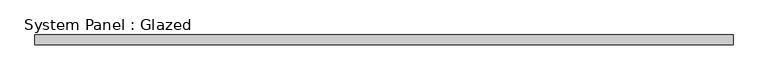
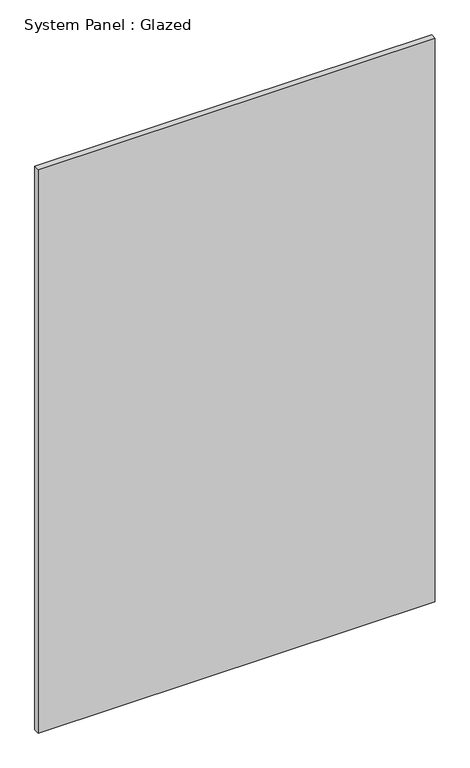
"""IFC4 building model written with IfcOpenShell, lengths in millimetres: plate geometry, System Panel : Glazed."""

from ifc_helpers import new_model, si_unit, origin, origin_with_axes, place, context, project, spatial, polyline, outline, extrude, source, transform, mapped, element, save


def system_panel_glazed_337bb30f(model_context):
    return source(origin(), model_context, "Body", "SweptSolid", [
        extrude(outline(polyline([(899.922632, 24.5), (-899.922632, 24.5), (-899.922632, 49.5), (899.922632, 49.5), (899.922632, 24.5)])), origin_with_axes(), (0.0, 0.0, 1.0), 2700.0),
    ])


if __name__ == "__main__":
    model = new_model("IFC4")
    model_context = context("Model", 3, world=origin())
    ifc_project = project(units=[si_unit("LENGTHUNIT", "METRE", prefix="MILLI")], contexts=[model_context])
    site = spatial("IfcSite", under=ifc_project)
    building = spatial("IfcBuilding", under=site)
    placement = place(None, origin())
    system_panel_glazed_shape = system_panel_glazed_337bb30f(model_context)
    element("IfcPlate", 1, ObjectType="System Panel : Glazed", at=placement, inside=building, context=model_context, shape_type="MappedRepresentation", body=[
        mapped(system_panel_glazed_shape, transform((0.0, 0.0, 0.0), x_axis=(1.0, 0.0, 0.0), y_axis=(0.0, 1.0, 0.0), z_axis=(0.0, 0.0, 1.0))),
    ])
    save(model, "model.ifc")
